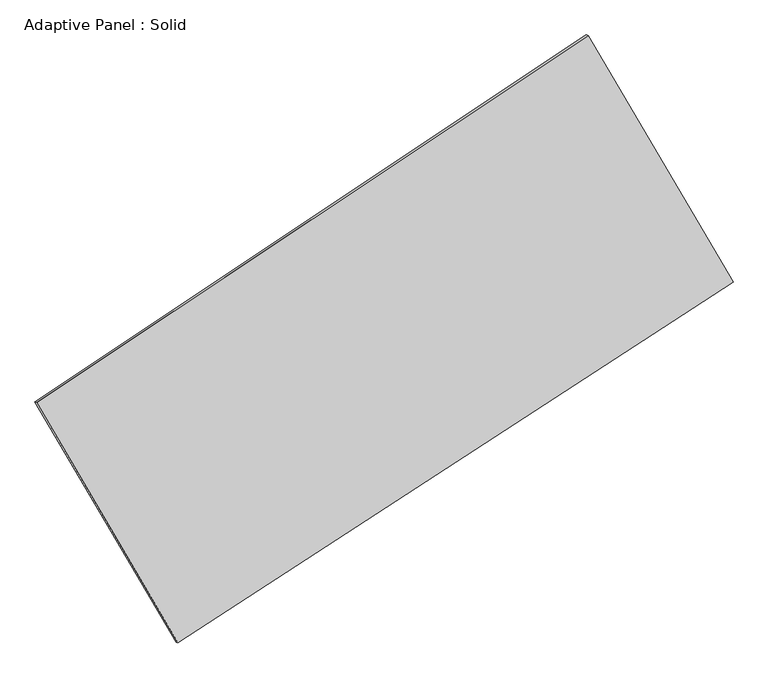
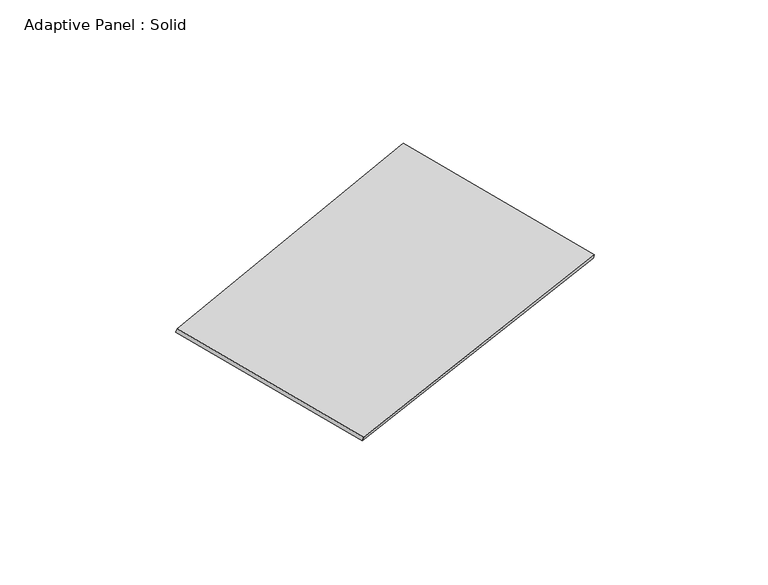
"""IFC4 building model written with IfcOpenShell, lengths in millimetres: plate geometry, Adaptive Panel : Solid."""

from ifc_helpers import new_model, si_unit, frame, origin, place, context, project, spatial, polyline, outline, extrude, source, transform, mapped, element, save


def adaptive_panel_solid_f44a0e91(model_context):
    return source(origin(), model_context, "Body", "SweptSolid", [
        extrude(outline(polyline([(-1295.5566176, 2941.187992), (1295.5566176, 2941.187992), (1261.9847342, -2941.187992), (-1261.9847342, -2941.187992), (-1295.5566176, 2941.187992)])), frame((-650.8226445, -100.0621432, 871.2806301), z_axis=(0.2933271166111761, -0.1276018692868713, 0.9474581603506667), x_axis=(0.48898791942604475, -0.8315770006824668, -0.26338281377367934)), (0.0, 0.0, 1.0), 50.0),
    ])


if __name__ == "__main__":
    model = new_model("IFC4")
    model_context = context("Model", 3, world=origin())
    ifc_project = project(units=[si_unit("LENGTHUNIT", "METRE", prefix="MILLI")], contexts=[model_context])
    site = spatial("IfcSite", under=ifc_project)
    building = spatial("IfcBuilding", under=site)
    placement = place(None, origin())
    adaptive_panel_solid_shape = adaptive_panel_solid_f44a0e91(model_context)
    element("IfcPlate", 1, ObjectType="Adaptive Panel : Solid", at=placement, inside=building, context=model_context, shape_type="MappedRepresentation", body=[
        mapped(adaptive_panel_solid_shape, transform((0.0, 0.0, 0.0), x_axis=(1.0, 0.0, 0.0), y_axis=(0.0, 1.0, 0.0), z_axis=(0.0, 0.0, 1.0))),
    ])
    save(model, "model.ifc")
